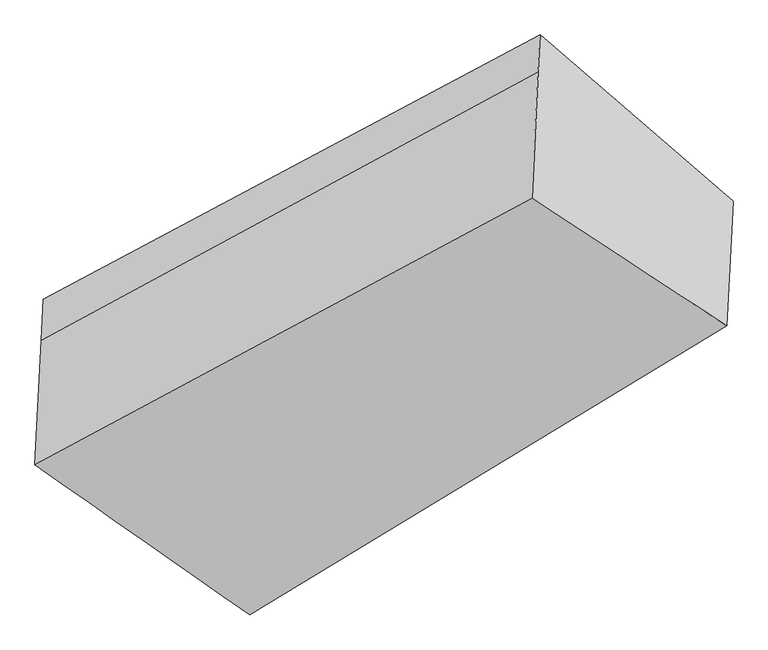
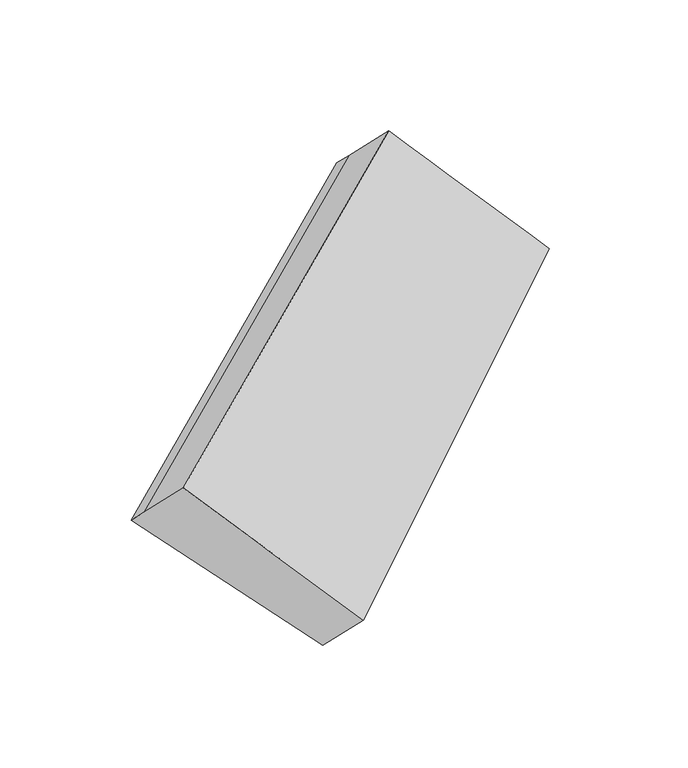
"""IFC4 building model written with IfcOpenShell, lengths in millimetres: proxy geometry."""

from ifc_helpers import new_model, si_unit, frame, origin, place, context, project, spatial, source, transform, mapped, element, save
from ifc_brep_helpers import plane_surface, spline_surface, advanced_brep


def generic_models_8daa49c2(model_context):
    return source(origin(), model_context, "Body", "AdvancedBrep", [
        advanced_brep(
        [(-3749.2287774, -1514.8462909, 1556.1543073), (-3754.6712622, -1626.0774975, 1663.9643163), (-2403.4696255, -896.7397765, 2462.4567698), (-2398.5538327, -796.2728802, 2365.0799875), (-3170.8391903, -2022.6884127, 1061.3949064), (-1873.8635913, -1247.8989076, 1925.6097587), (-3187.941249, -2372.2130674, 1400.1690445), (-1890.4494941, -1586.8745853, 2254.1593804), (-3771.2297091, -1964.4920427, 1991.9700644), (-2420.3041811, -1240.7973175, 2795.9319491)],
        [
            (0, 1),
            (1, 2),
            (2, 3),
            (3, 0),
            (4, 0),
            (0, 5),
            (5, 4),
            (6, 4),
            (5, 7),
            (7, 6),
            (8, 6),
            (7, 9),
            (9, 8),
            (1, 8),
            (9, 2),
            (5, 3),
        ],
        [
            plane_surface(frame((-3751.9500198, -1570.4618942, 1610.0593118), z_axis=(-0.6242312184342382, 0.5592595979637991, 0.5454943519574484), x_axis=(-0.03511280524291878, -0.7176206879008223, 0.6955484449013768))),
            plane_surface(frame((-3460.0339838, -1768.7673518, 1308.7746069), z_axis=(0.03491597279156289, 0.717513693470073, -0.6956687247008831), x_axis=(-0.6321197673930556, 0.5550187123789221, 0.5407206566982556))),
            plane_surface(frame((-3179.3902196, -2197.45074, 1230.7819755), z_axis=(0.6659509186091968, -0.5357419009296305, -0.5191242525560459), x_axis=(0.0351128052429429, 0.717620687900836, -0.6955484449013614))),
            spline_surface(1, 1, [[(-3771.2297091, -1964.4920427, 1991.9700644), (-2420.3041811, -1240.7973175, 2795.9319491)], [(-3187.941249, -2372.2130674, 1400.1690445), (-1890.4494941, -1586.8745853, 2254.1593804)]], [2, 2], [2, 2], [0.0, 1.0], [0.0, 1.0]),
            plane_surface(frame((-3762.9504857, -1795.2847701, 1827.9671903), z_axis=(-0.6242312184342381, 0.5592595979637974, 0.5454943519574503), x_axis=(-0.03511280524292864, -0.7176206879008298, 0.6955484449013686))),
            plane_surface(frame((-2145.7927748, -1217.9609227, 2335.1952689), z_axis=(0.7676837913426979, 0.426239571838801, 0.47852003501251295), x_axis=(0.0351128052429429, 0.717620687900836, -0.6955484449013614))),
            plane_surface(frame((-3469.8097314, -1968.5599534, 1502.4220807), z_axis=(-0.7740747319083096, -0.42068370209217676, -0.4731104862662625), x_axis=(0.03511280524293285, 0.7176206879008313, -0.6955484449013666))),
            plane_surface(frame((-3749.2287774, -1514.8462909, 1556.1543073), z_axis=(0.03491663849525464, 0.7175117478286178, -0.6956706980203448), x_axis=(-0.6398661480479115, 0.5507634480386409, 0.5359393033608522))),
        ],
        [
            (0, [[1, 2, 3, 4]]),
            (1, [[5, 6, 7]]),
            (2, [[8, -7, 9, 10]]),
            (3, [[11, -10, 12, 13]]),
            (4, [[14, -13, 15, -2]]),
            (5, [[-9, 16, -3, -15, -12]]),
            (6, [[-1, -5, -8, -11, -14]]),
            (7, [[-16, -6, -4]]),
        ],
    ),
    ])


if __name__ == "__main__":
    model = new_model("IFC4")
    model_context = context("Model", 3, world=origin())
    ifc_project = project(units=[si_unit("LENGTHUNIT", "METRE", prefix="MILLI")], contexts=[model_context])
    site = spatial("IfcSite", under=ifc_project)
    building = spatial("IfcBuilding", under=site)
    placement = place(None, origin())
    generic_models_shape = generic_models_8daa49c2(model_context)
    element("IfcBuildingElementProxy", 1, Name="Generic Models", at=placement, inside=building, context=model_context, shape_type="MappedRepresentation", body=[
        mapped(generic_models_shape, transform((0.0, 0.0, 0.0), x_axis=(1.0, 0.0, 0.0), y_axis=(0.0, 1.0, 0.0), z_axis=(0.0, 0.0, 1.0))),
    ])
    save(model, "model.ifc")
